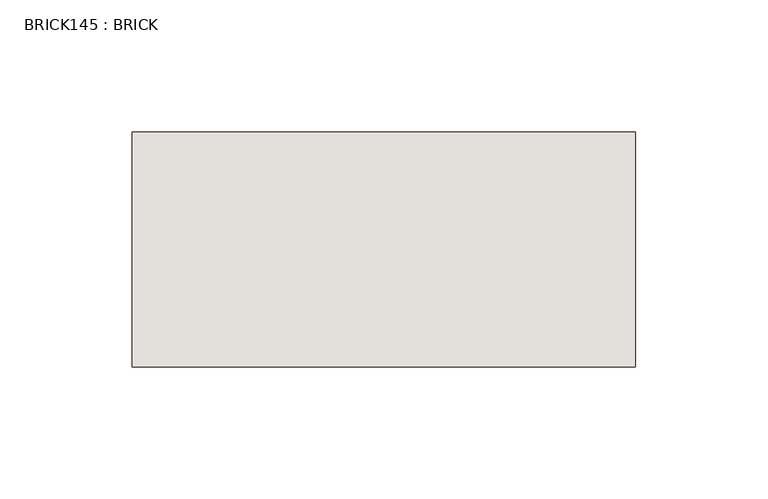
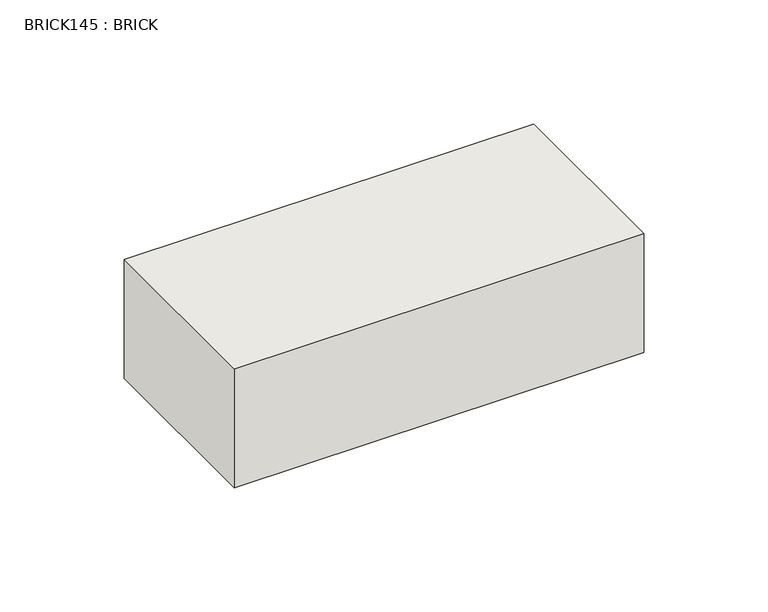
"""IFC4 building model written with IfcOpenShell, lengths in millimetres: wall geometry, BRICK145 : BRICK."""

from ifc_helpers import new_model, si_unit, frame, origin, place, context, project, spatial, polyline, outline, extrude, source, transform, mapped, element, save


def brick145_brick_5e23efc0(model_context):
    return source(origin(), model_context, "Body", "SweptSolid", [
        extrude(outline(polyline([(22.0530711, 2586.2274125), (212.5530711, 2586.2274125), (212.5530711, 2497.3274125), (22.0530711, 2497.3274125), (22.0530711, 2586.2274125)])), frame((0.0, 0.0, 493.4148438), z_axis=(0.0, 0.0, 1.0), x_axis=(1.0, 0.0, 0.0)), (0.0, 0.0, 1.0), 58.4398437),
    ])


if __name__ == "__main__":
    model = new_model("IFC4")
    model_context = context("Model", 3, world=origin())
    ifc_project = project(units=[si_unit("LENGTHUNIT", "METRE", prefix="MILLI")], contexts=[model_context])
    site = spatial("IfcSite", under=ifc_project)
    building = spatial("IfcBuilding", under=site)
    placement = place(None, origin())
    brick145_brick_shape = brick145_brick_5e23efc0(model_context)
    element("IfcWall", 1, ObjectType="BRICK145 : BRICK", at=placement, inside=building, context=model_context, shape_type="MappedRepresentation", body=[
        mapped(brick145_brick_shape, transform((0.0, 0.0, 0.0), x_axis=(1.0, 0.0, 0.0), y_axis=(0.0, 1.0, 0.0), z_axis=(0.0, 0.0, 1.0))),
    ])
    save(model, "model.ifc")
